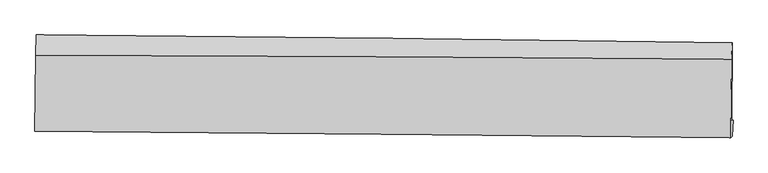
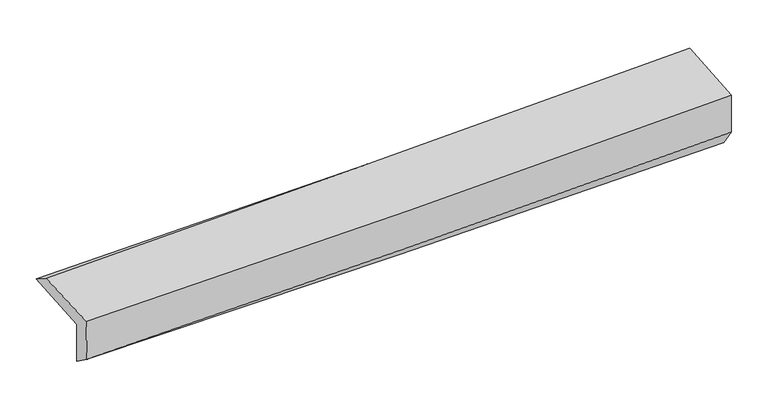
"""IFC4 building model written with IfcOpenShell, lengths in millimetres: proxy geometry."""

from ifc_helpers import new_model, si_unit, frame, origin, place, context, project, spatial, source, transform, mapped, element, save
from ifc_brep_helpers import plane_surface, spline_curve, spline_surface, advanced_brep


def generic_models_0c6a76f8(model_context):
    return source(origin(), model_context, "Body", "AdvancedBrep", [
        advanced_brep(
        [(-3025.1291638, -1767.2698834, 1947.5709006), (-3018.3862952, -1095.7542689, 1988.8577747), (3010.2634014, -1164.7801804, 2109.7336795), (3003.7787934, -1835.1793934, 2081.5037286), (-3012.7564991, -1743.7780868, 1559.6650834), (3016.2952347, -1835.1149111, 1680.4442069), (-3018.8972027, -1920.4730841, 1688.8782621), (3008.7371853, -1974.9037112, 1873.4225495), (-3031.1473478, -1929.3637386, 2078.4547515), (2996.7427395, -1988.5036392, 2252.9896387), (-3023.9081235, -1270.3147851, 2099.0361195), (3002.6704704, -1304.5455209, 2303.8380435)],
        [
            (0, 1),
            (1, 2, spline_curve(3, [(-3018.3862952, -1095.7542689, 1988.8577747), (-2012.890658352, -1103.407684123, 1987.794779064), (-1007.699376002, -1112.987407112, 1997.338579443), (1001.850387205, -1135.996903199, 2037.635277697), (2006.209003448, -1149.425817299, 2068.383445958), (3010.2634014, -1164.7801804, 2109.7336795)], [4, 2, 4], [0.0, 9.894083874501156, 19.785961330764444])),
            (2, 3),
            (3, 0, spline_curve(3, [(3003.7787934, -1835.1793934, 2081.5037286), (1999.468812415, -1818.852770523, 2045.01706676), (994.960873615, -1805.030685251, 2015.61312135), (-1014.675023818, -1782.393064329, 1970.965685421), (-2019.803070655, -1773.578646452, 1955.725354539), (-3025.1291638, -1767.2698834, 1947.5709006)], [4, 2, 4], [0.0, 9.891877456263288, 19.785961330764444])),
            (4, 0),
            (3, 5),
            (5, 4, spline_curve(3, [(3016.2952347, -1835.1149111, 1680.4442069), (2012.203747612, -1813.053798966, 1638.925235371), (1007.793088959, -1794.412307971, 1608.100752425), (-1001.8906801, -1763.965174337, 1567.836273308), (-2007.163932592, -1752.161057026, 1558.401048567), (-3012.7564991, -1743.7780868, 1559.6650834)], [4, 2, 4], [0.0, 9.89245293380395, 19.787112414208067])),
            (6, 4),
            (5, 7),
            (7, 6, spline_curve(3, [(3008.7371853, -1974.9037112, 1873.4225495), (2004.295391577, -1970.218894757, 1836.103354061), (999.827646009, -1963.341351409, 1802.066414411), (-1009.38380508, -1945.198787035, 1740.550187448), (-2014.127522214, -1933.932788434, 1713.072364707), (-3018.8972027, -1920.4730841, 1688.8782621)], [4, 2, 4], [0.0, 9.892044273616824, 19.786295002680717])),
            (8, 6),
            (7, 9),
            (9, 8, spline_curve(3, [(2996.7427395, -1988.5036392, 2252.9896387), (1992.616782508, -1977.710659401, 2207.780722885), (988.285669493, -1967.386342095, 2170.632413938), (-1021.010934859, -1947.672832566, 2112.450522147), (-2025.976517562, -1938.283850159, 2091.42053506), (-3031.1473478, -1929.3637386, 2078.4547515)], [4, 2, 4], [0.0, 9.891942537225741, 19.78609150720589])),
            (10, 8),
            (9, 11),
            (11, 10, spline_curve(3, [(3002.6704704, -1304.5455209, 2303.8380435), (1998.485572166, -1296.265919935, 2263.430917938), (994.234251777, -1289.27373257, 2226.162081543), (-1014.625250001, -1277.86291316, 2157.893373118), (-2019.233460973, -1273.444855059, 2126.894901739), (-3023.9081235, -1270.3147851, 2099.0361195)], [4, 2, 4], [0.0, 9.89143975924754, 19.78508583910308])),
            (1, 10),
            (11, 2),
        ],
        [
            spline_surface(3, 3, [[(-3025.1291638, -1767.2698834, 1947.5709006), (-2019.803070587, -1773.578646495, 1955.725354683), (-1014.675023816, -1782.393064422, 1970.96568538), (994.960873614, -1805.030685159, 2015.613121392), (1999.468812542, -1818.852770591, 2045.017066676), (3003.7787934, -1835.1793934, 2081.5037286)], [(-3022.881540911, -1543.431345219, 1961.333191972), (-2017.498933199, -1550.188325649, 1966.415162836), (-1012.349807837, -1559.257845322, 1979.756650029), (997.257378159, -1582.019424552, 2022.953840191), (2001.715542865, -1595.710452851, 2052.805859734), (3005.940329397, -1611.71298906, 2090.91371224)], [(-3020.633918089, -1319.592807081, 1975.095483328), (-2015.194795878, -1326.798004846, 1977.104970973), (-1010.024591942, -1336.122626148, 1988.54761469), (999.553882621, -1359.008163871, 2030.294559002), (2003.962273199, -1372.568135129, 2060.594652773), (3008.101865403, -1388.24658474, 2100.32369586)], [(-3018.3862952, -1095.7542689, 1988.8577747), (-2012.89065849, -1103.407684, 1987.794779125), (-1007.699375963, -1112.987407048, 1997.33857934), (1001.850387166, -1135.996903263, 2037.635277801), (2006.209003523, -1149.42581739, 2068.383445831), (3010.2634014, -1164.7801804, 2109.7336795)]], [4, 4], [4, 2, 4], [0.0, 2.1971554600134664], [0.0, 9.894083874501156, 19.785961330764444]),
            spline_surface(3, 3, [[(-3012.7564991, -1743.7780868, 1559.6650834), (-2007.163932655, -1752.161056969, 1558.401048417), (-1001.890679997, -1763.965174247, 1567.836273239), (1007.793088856, -1794.412308062, 1608.100752494), (2012.203747491, -1813.053798829, 1638.9252355), (3016.2952347, -1835.1149111, 1680.4442069)], [(-3016.880720692, -1751.608685693, 1688.967022468), (-2011.376978658, -1759.300253504, 1690.84248384), (-1006.152127935, -1770.107804273, 1702.212743966), (1003.515683777, -1797.951767062, 1743.938208807), (2007.958769179, -1814.986789402, 1774.289179233), (3012.123087605, -1835.136405186, 1814.130714141)], [(-3021.004942208, -1759.439284507, 1818.268961532), (-2015.590024585, -1766.439449961, 1823.28391926), (-1010.413575878, -1776.250434395, 1836.589214653), (999.238278693, -1801.491226159, 1879.775665079), (2003.713790853, -1816.919780017, 1909.653122943), (3007.950940495, -1835.157899314, 1947.817221359)], [(-3025.1291638, -1767.2698834, 1947.5709006), (-2019.803070587, -1773.578646495, 1955.725354683), (-1014.675023816, -1782.393064422, 1970.96568538), (994.960873614, -1805.030685159, 2015.613121392), (1999.468812542, -1818.852770591, 2045.017066676), (3003.7787934, -1835.1793934, 2081.5037286)]], [4, 4], [4, 2, 4], [0.0, 1.331308179915116], [0.0, 9.894659480404117, 19.787112414208067]),
            spline_surface(3, 3, [[(-3018.8972027, -1920.4730841, 1688.8782621), (-2014.127522112, -1933.93278828, 1713.072364569), (-1009.383805093, -1945.198787177, 1740.550187507), (999.827646023, -1963.341351267, 1802.066414352), (2004.295391615, -1970.218894691, 1836.103353927), (3008.7371853, -1974.9037112, 1873.4225495)], [(-3016.850301472, -1861.57475167, 1645.807202519), (-2011.806325598, -1873.34221118, 1661.515259171), (-1006.886096736, -1884.787582897, 1682.978882745), (1002.482793626, -1907.031670228, 1737.411193727), (2006.931510227, -1917.830529411, 1770.377314463), (3011.256535087, -1928.307444508, 1809.096435312)], [(-3014.803400328, -1802.67641923, 1602.736142981), (-2009.485129168, -1812.75163407, 1609.958153816), (-1004.388388354, -1824.376378527, 1625.407578001), (1005.137941253, -1850.7219891, 1672.755973119), (2009.567628878, -1865.442164108, 1704.651274964), (3013.775884913, -1881.711177792, 1744.770321088)], [(-3012.7564991, -1743.7780868, 1559.6650834), (-2007.163932655, -1752.161056969, 1558.401048417), (-1001.890679997, -1763.965174247, 1567.836273239), (1007.793088856, -1794.412308062, 1608.100752494), (2012.203747491, -1813.053798829, 1638.9252355), (3016.2952347, -1835.1149111, 1680.4442069)]], [4, 4], [4, 2, 4], [0.0, 0.8321072937047578], [0.0, 9.894250729063893, 19.786295002680717]),
            spline_surface(3, 3, [[(-3031.1473478, -1929.3637386, 2078.4547515), (-2025.976517409, -1938.283850027, 2091.420535199), (-1021.010934802, -1947.67283268, 2112.450522024), (988.285669436, -1967.386341981, 2170.632414061), (1992.61678259, -1977.71065952, 2207.780722951), (2996.7427395, -1988.5036392, 2252.9896387)], [(-3027.06396612, -1926.400187085, 1948.595921721), (-2022.02685233, -1936.833496097, 1965.304478344), (-1017.135224908, -1946.848150842, 1988.48374385), (992.132994956, -1966.038011739, 2047.777080823), (1996.50965227, -1975.213404581, 2083.888266599), (3000.740888105, -1983.970329871, 2126.467275623)], [(-3022.98058438, -1923.436635615, 1818.737091879), (-2018.077187191, -1935.383142211, 1839.188421424), (-1013.259514987, -1946.023469015, 1864.516965681), (995.980320503, -1964.689681508, 1924.92174759), (2000.402521934, -1972.71614963, 1959.995810279), (3004.739036695, -1979.437020529, 1999.944912577)], [(-3018.8972027, -1920.4730841, 1688.8782621), (-2014.127522112, -1933.93278828, 1713.072364569), (-1009.383805093, -1945.198787177, 1740.550187507), (999.827646023, -1963.341351267, 1802.066414352), (2004.295391615, -1970.218894691, 1836.103353927), (3008.7371853, -1974.9037112, 1873.4225495)]], [4, 4], [4, 2, 4], [0.0, 1.2153184844049632], [0.0, 9.894148969980147, 19.78609150720589]),
            spline_surface(3, 3, [[(-3023.9081235, -1270.3147851, 2099.0361195), (-2019.233460825, -1273.444855028, 2126.894901845), (-1014.625249952, -1277.862913044, 2157.893373248), (994.234251729, -1289.273732686, 2226.162081413), (1998.485572125, -1296.265919962, 2263.430918018), (3002.6704704, -1304.5455209, 2303.8380435)], [(-3026.32119825, -1489.997769602, 2092.175663486), (-2021.481146337, -1495.057853362, 2115.070112949), (-1016.753811569, -1501.132886256, 2142.745756164), (992.251390964, -1515.311269118, 2207.652192287), (1996.529308951, -1523.4141665, 2244.880852994), (3000.694560104, -1532.531560352, 2286.888575232)], [(-3028.73427305, -1709.680754098, 2085.315207514), (-2023.728831897, -1716.670851693, 2103.245324095), (-1018.882373185, -1724.402859468, 2127.598139108), (990.2685302, -1741.348805549, 2189.142303187), (1994.573045764, -1750.562412982, 2226.330787975), (2998.718649796, -1760.517599748, 2269.939106968)], [(-3031.1473478, -1929.3637386, 2078.4547515), (-2025.976517409, -1938.283850027, 2091.420535199), (-1021.010934802, -1947.67283268, 2112.450522024), (988.285669436, -1967.386341981, 2170.632414061), (1992.61678259, -1977.71065952, 2207.780722951), (2996.7427395, -1988.5036392, 2252.9896387)]], [4, 4], [4, 2, 4], [0.0, 2.2174432591412656], [0.0, 9.89364607985554, 19.78508583910308]),
            spline_surface(3, 3, [[(-3018.3862952, -1095.7542689, 1988.8577747), (-2012.89065849, -1103.407684, 1987.794779125), (-1007.699375963, -1112.987407048, 1997.33857934), (1001.850387166, -1135.996903263, 2037.635277801), (2006.209003523, -1149.42581739, 2068.383445831), (3010.2634014, -1164.7801804, 2109.7336795)], [(-3020.226904655, -1153.941107632, 2025.583889634), (-2015.004925957, -1160.086741007, 2034.161486699), (-1010.008000638, -1167.945909028, 2050.856843982), (999.311675342, -1187.089179718, 2100.477545678), (2003.634526392, -1198.372518237, 2133.39926988), (3007.732424402, -1211.368627223, 2174.435134153)], [(-3022.067514045, -1212.127946368, 2062.310004566), (-2017.119193359, -1216.76579802, 2080.528194271), (-1012.316625277, -1222.904411064, 2104.375108605), (996.772963553, -1238.181456231, 2163.319813536), (2001.060049256, -1247.319219115, 2198.41509397), (3005.201447398, -1257.957074077, 2239.136588847)], [(-3023.9081235, -1270.3147851, 2099.0361195), (-2019.233460825, -1273.444855028, 2126.894901845), (-1014.625249952, -1277.862913044, 2157.893373248), (994.234251729, -1289.273732686, 2226.162081413), (1998.485572125, -1296.265919962, 2263.430918018), (3002.6704704, -1304.5455209, 2303.8380435)]], [4, 4], [4, 2, 4], [0.0, 0.7751528885032568], [0.0, 9.893134926527244, 19.78406364643562]),
            plane_surface(frame((3006.4146375, -1683.8378927, 2050.3219744), z_axis=(0.9994531653320434, -0.010980834863932578, 0.031189606817824015), x_axis=(0.0315643310956201, 0.035789284179320834, -0.9988607611376162))),
            plane_surface(frame((-3021.7041054, -1621.1589745, 1893.7438153), z_axis=(-0.9994431277526901, 0.011951154143900846, -0.031154522987025993), x_axis=(-0.01002184006550424, -0.998065129638268, -0.06136415665393691))),
        ],
        [
            (0, [[1, 2, 3, 4]]),
            (1, [[5, -4, 6, 7]]),
            (2, [[8, -7, 9, 10]]),
            (3, [[11, -10, 12, 13]]),
            (4, [[14, -13, 15, 16]]),
            (5, [[17, -16, 18, -2]]),
            (6, [[-12, -9, -6, -3, -18, -15]]),
            (7, [[-1, -5, -8, -11, -14, -17]]),
        ],
    ),
    ])


if __name__ == "__main__":
    model = new_model("IFC4")
    model_context = context("Model", 3, world=origin())
    ifc_project = project(units=[si_unit("LENGTHUNIT", "METRE", prefix="MILLI")], contexts=[model_context])
    site = spatial("IfcSite", under=ifc_project)
    building = spatial("IfcBuilding", under=site)
    placement = place(None, origin())
    generic_models_shape = generic_models_0c6a76f8(model_context)
    element("IfcBuildingElementProxy", 1, Name="Generic Models", at=placement, inside=building, context=model_context, shape_type="MappedRepresentation", body=[
        mapped(generic_models_shape, transform((0.0, 0.0, 0.0), x_axis=(1.0, 0.0, 0.0), y_axis=(0.0, 1.0, 0.0), z_axis=(0.0, 0.0, 1.0))),
    ])
    save(model, "model.ifc")
